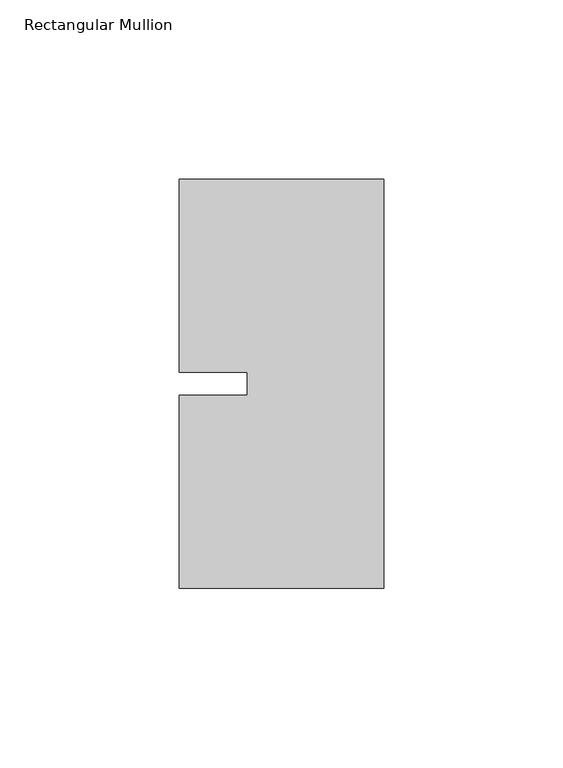
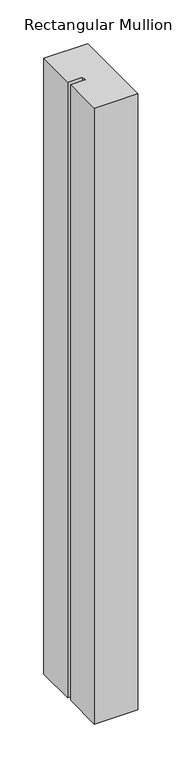
"""IFC4 building model written with IfcOpenShell, lengths in millimetres: member geometry, Rectangular Mullion."""

from ifc_helpers import new_model, si_unit, frame, origin, place, context, project, spatial, polyline, outline, extrude, source, transform, mapped, element, save


def rectangular_mullion_fefa0bf4(model_context):
    return source(origin(), model_context, "Body", "SweptSolid", [
        extrude(outline(polyline([(-57.15, 57.15), (0.0, 57.15), (0.0, -57.15), (-57.15, -57.15), (-57.15, -3.175), (-38.1, -3.175), (-38.1, 3.175), (-57.15, 3.175), (-57.15, 57.15)])), frame((0.0, 0.0, -854.075), z_axis=(0.0, 0.0, 1.0), x_axis=(1.0, 0.0, 0.0)), (0.0, 0.0, 1.0), 854.075),
    ])


if __name__ == "__main__":
    model = new_model("IFC4")
    model_context = context("Model", 3, world=origin())
    ifc_project = project(units=[si_unit("LENGTHUNIT", "METRE", prefix="MILLI")], contexts=[model_context])
    site = spatial("IfcSite", under=ifc_project)
    building = spatial("IfcBuilding", under=site)
    placement = place(None, origin())
    rectangular_mullion_shape = rectangular_mullion_fefa0bf4(model_context)
    element("IfcMember", 1, ObjectType="Rectangular Mullion", at=placement, inside=building, context=model_context, shape_type="MappedRepresentation", body=[
        mapped(rectangular_mullion_shape, transform((0.0, 0.0, 0.0), x_axis=(1.0, 0.0, 0.0), y_axis=(0.0, 1.0, 0.0), z_axis=(0.0, 0.0, 1.0))),
    ])
    save(model, "model.ifc")
